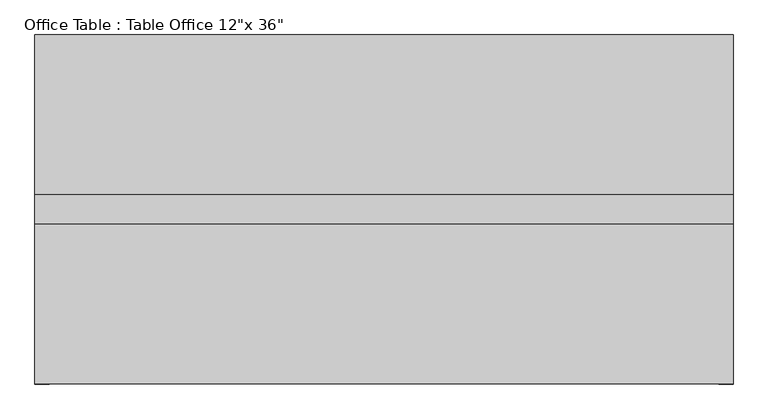
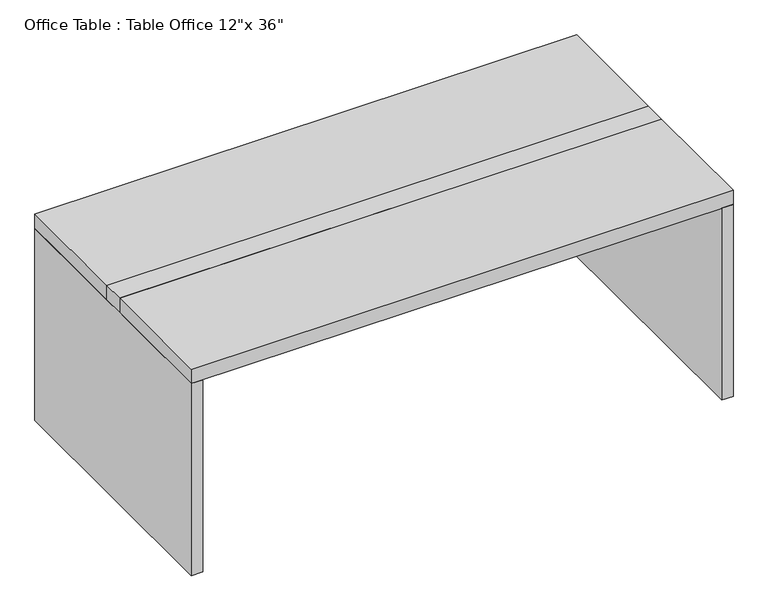
"""IFC4 building model written with IfcOpenShell, lengths in millimetres: furniture geometry."""

from ifc_helpers import new_model, si_unit, frame, origin, origin_with_axes, place, context, project, spatial, polyline, outline, extrude, source, transform, mapped, element, save


def furniture_4da23b40(model_context):
    return source(origin(), model_context, "Body", "SweptSolid", [
        extrude(outline(polyline([(1409.7, 533.3981712), (1447.8, 533.3981712), (1447.8, -381.0), (1409.7, -381.0), (1409.7, 533.3981712)])), origin_with_axes(), (0.0, 0.0, 1.0), 685.8),
        extrude(outline(polyline([(-381.0, 533.3981712), (-342.9, 533.3981712), (-342.9, -381.0), (-381.0, -381.0), (-381.0, 533.3981712)])), origin_with_axes(), (0.0, 0.0, 1.0), 685.8),
        extrude(outline(polyline([(-381.0, 114.2990856), (1447.8, 114.2990856), (1447.8, 38.0990856), (-381.0, 38.0990856), (-381.0, 114.2990856)])), frame((0.0, 0.0, 685.8), z_axis=(0.0, 0.0, 1.0), x_axis=(1.0, 0.0, 0.0)), (0.0, 0.0, 1.0), 50.8),
        extrude(outline(polyline([(-381.0, 533.3981712), (1447.8, 533.3981712), (1447.8, 114.2990856), (-381.0, 114.2990856), (-381.0, 533.3981712)])), frame((0.0, 0.0, 685.8), z_axis=(0.0, 0.0, 1.0), x_axis=(1.0, 0.0, 0.0)), (0.0, 0.0, 1.0), 50.8),
        extrude(outline(polyline([(-381.0, 38.0990856), (1447.8, 38.0990856), (1447.8, -381.0), (-381.0, -381.0), (-381.0, 38.0990856)])), frame((0.0, 0.0, 685.8), z_axis=(0.0, 0.0, 1.0), x_axis=(1.0, 0.0, 0.0)), (0.0, 0.0, 1.0), 50.8),
    ])


if __name__ == "__main__":
    model = new_model("IFC4")
    model_context = context("Model", 3, world=origin())
    ifc_project = project(units=[si_unit("LENGTHUNIT", "METRE", prefix="MILLI")], contexts=[model_context])
    site = spatial("IfcSite", under=ifc_project)
    building = spatial("IfcBuilding", under=site)
    placement = place(None, origin())
    furniture_shape = furniture_4da23b40(model_context)
    element("IfcFurniture", 1, ObjectType="Office Table : Table Office 12\"x 36\"", at=placement, inside=building, context=model_context, shape_type="MappedRepresentation", body=[
        mapped(furniture_shape, transform((0.0, 0.0, 0.0), x_axis=(1.0, 0.0, 0.0), y_axis=(0.0, 1.0, 0.0), z_axis=(0.0, 0.0, 1.0))),
    ])
    save(model, "model.ifc")
